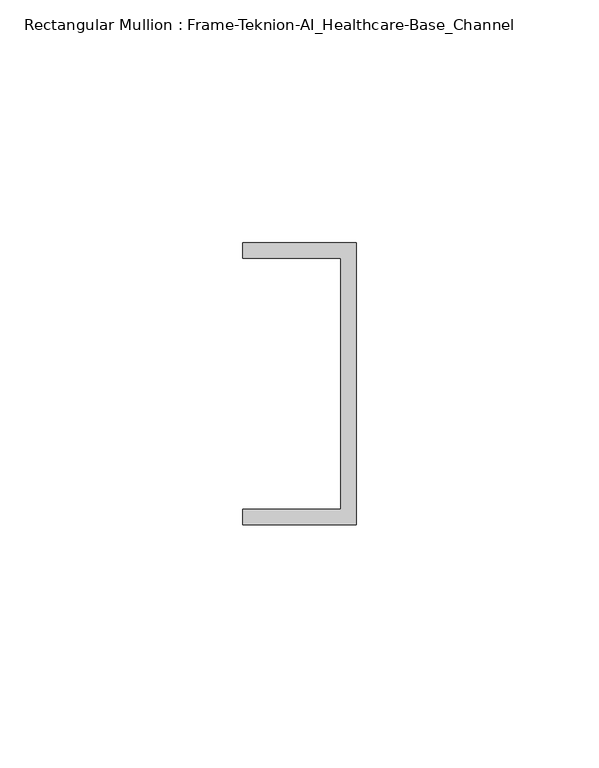
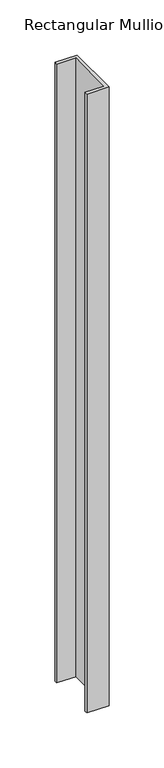
"""IFC4 building model written with IfcOpenShell, lengths in millimetres: member geometry, Rectangular Mullion : Frame-Teknion-AI_Healthcare-Base_Channel."""

from ifc_helpers import new_model, si_unit, frame, origin, place, context, project, spatial, polyline, outline, extrude, source, transform, mapped, element, save


def rectangular_mullion_frame_teknion_ai_healthcare_base_channel_1069b659(model_context):
    return source(origin(), model_context, "Body", "SweptSolid", [
        extrude(outline(polyline([(0.0, 29.0214844), (0.0, -29.0214844), (-23.3164063, -29.0214844), (-23.3164063, -25.8464844), (-3.175, -25.8464844), (-3.175, 25.8464844), (-23.3164063, 25.8464844), (-23.3164063, 29.0214844), (0.0, 29.0214844)])), frame((0.0, 0.0, -685.8), z_axis=(0.0, 0.0, 1.0), x_axis=(1.0, 0.0, 0.0)), (0.0, 0.0, 1.0), 685.8),
    ])


if __name__ == "__main__":
    model = new_model("IFC4")
    model_context = context("Model", 3, world=origin())
    ifc_project = project(units=[si_unit("LENGTHUNIT", "METRE", prefix="MILLI")], contexts=[model_context])
    site = spatial("IfcSite", under=ifc_project)
    building = spatial("IfcBuilding", under=site)
    placement = place(None, origin())
    rectangular_mullion_frame_teknion_ai_healthcare_base_channel_shape = rectangular_mullion_frame_teknion_ai_healthcare_base_channel_1069b659(model_context)
    element("IfcMember", 1, ObjectType="Rectangular Mullion : Frame-Teknion-AI_Healthcare-Base_Channel", at=placement, inside=building, context=model_context, shape_type="MappedRepresentation", body=[
        mapped(rectangular_mullion_frame_teknion_ai_healthcare_base_channel_shape, transform((0.0, 0.0, 0.0), x_axis=(1.0, 0.0, 0.0), y_axis=(0.0, 1.0, 0.0), z_axis=(0.0, 0.0, 1.0))),
    ])
    save(model, "model.ifc")
